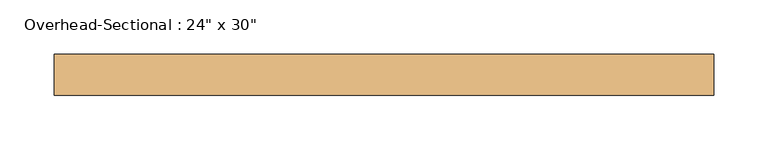
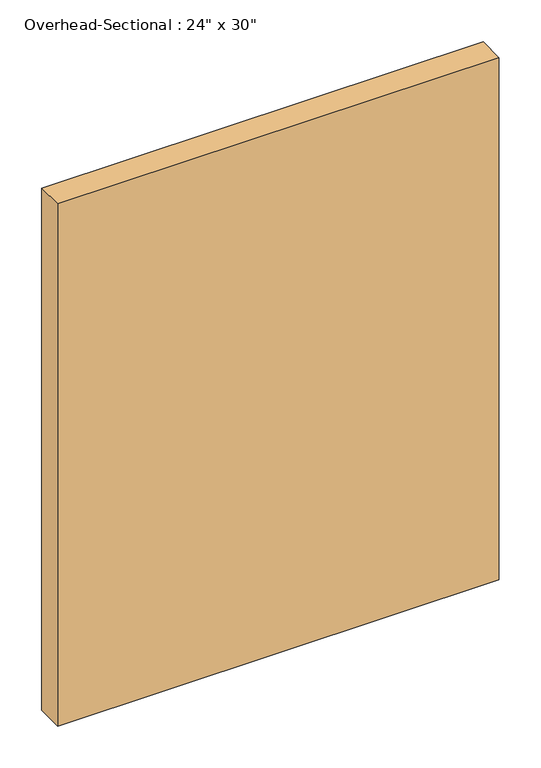
"""IFC4 building model written with IfcOpenShell, lengths in millimetres: door geometry."""

import ifcopenshell
import ifcopenshell.guid

model = None  # the IFC model being written
_history = None  # IfcOwnerHistory: only IFC2X3 demands one
_inside = {}  # id of a spatial element -> (the spatial element, [elements in it])
_under = {}  # id of a project, library or spatial element -> (it, [spatial elements below it])
_declared = {}  # id of a project -> (the project, [libraries it declares])
_typed = {}  # id of a type object -> (the type object, [elements of that type])
_made_of = {}  # id of a material, layer set ... -> (it, [elements and type objects made of it])


def new_model(schema):
    """Start an empty IFC model of exactly this schema.

    Asked for "IFC4X3", IfcOpenShell would pick the latest addendum, in which some entities
    have other attributes; the version numbers below select the first issue.
    IFC2X3 requires an IfcOwnerHistory on every rooted entity: one is made here for all.
    """
    global model, _history
    if schema == "IFC4X3":
        model = ifcopenshell.file(schema_version=(4, 3, 0, 0))
    else:
        model = ifcopenshell.file(schema=schema)
    _inside.clear()
    _under.clear()
    _declared.clear()
    _typed.clear()
    _made_of.clear()
    _history = None
    if model.schema == "IFC2X3":
        org = make("IfcOrganization", Name="unknown")
        user = make(
            "IfcPersonAndOrganization",
            ThePerson=make("IfcPerson", FamilyName="unknown"),
            TheOrganization=org,
        )
        app = make(
            "IfcApplication",
            ApplicationDeveloper=org,
            Version="unknown",
            ApplicationFullName="unknown",
            ApplicationIdentifier="unknown",
        )
        _history = make(
            "IfcOwnerHistory",
            OwningUser=user,
            OwningApplication=app,
            ChangeAction="ADDED",
            CreationDate=0,
        )
    return model


def make(cls, **values):
    """One entity of the class cls with the attributes given. An attribute that is None is left unset."""
    return model.create_entity(
        cls, **{name: value for name, value in values.items() if value is not None}
    )


def rooted(cls, **values):
    """An entity with a GlobalId (a new one), such as an element, a storey or a relation."""
    return make(cls, GlobalId=ifcopenshell.guid.new(), OwnerHistory=_history, **values)


def si_unit(unit_type, name, prefix=None):
    """IfcSIUnit, for example si_unit("LENGTHUNIT", "METRE", prefix="MILLI")."""
    return make("IfcSIUnit", UnitType=unit_type, Prefix=prefix, Name=name)


def assignment(units):
    """IfcUnitAssignment: the units of a project."""
    return None if units is None else make("IfcUnitAssignment", Units=units)


def point(xyz):
    """IfcCartesianPoint."""
    return None if xyz is None else make("IfcCartesianPoint", Coordinates=xyz)


def direction(xyz):
    """IfcDirection."""
    return None if xyz is None else make("IfcDirection", DirectionRatios=xyz)


def frame(location, z_axis=None, x_axis=None):
    """IfcAxis2Placement3D, a coordinate frame: its origin and axes. An axis left out is left unset."""
    return make(
        "IfcAxis2Placement3D",
        Location=point(location),
        Axis=direction(z_axis),
        RefDirection=direction(x_axis),
    )


def origin():
    """The frame at (0, 0, 0) with its axes left unset."""
    return frame((0.0, 0.0, 0.0))


def origin_with_axes():
    """The frame at (0, 0, 0) with the z axis (0, 0, 1) and the x axis (1, 0, 0) written out."""
    return frame((0.0, 0.0, 0.0), z_axis=(0.0, 0.0, 1.0), x_axis=(1.0, 0.0, 0.0))


def place(relative_to, where):
    """IfcLocalPlacement: puts the frame where relative to a parent placement (None: the world)."""
    return make(
        "IfcLocalPlacement", PlacementRelTo=relative_to, RelativePlacement=where
    )


def context(
    kind, dimensions, precision=None, world=None, true_north=None, identifier=None
):
    """IfcGeometricRepresentationContext, for example the 3D "Model" context."""
    return make(
        "IfcGeometricRepresentationContext",
        ContextIdentifier=identifier,
        ContextType=kind,
        CoordinateSpaceDimension=dimensions,
        Precision=precision,
        WorldCoordinateSystem=world,
        TrueNorth=true_north,
    )


def project(units=None, contexts=None):
    """IfcProject with its units and contexts."""
    return rooted(
        "IfcProject",
        Name="project",
        RepresentationContexts=contexts,
        UnitsInContext=assignment(units),
    )


def spatial(cls, under=None, at=None, **own):
    """A site, building, storey or space (cls), placed at a placement, below another one or the project."""
    s = rooted(cls, ObjectPlacement=at, **own)
    if under is not None:
        _under.setdefault(under.id(), (under, []))[1].append(s)
    return s


def polyline(points):
    """IfcPolyline through the points."""
    return make("IfcPolyline", Points=[point(p) for p in points])


def outline(outer, holes=None, kind="AREA"):
    """IfcArbitraryClosedProfileDef: a profile drawn as a closed curve; with holes, ...WithVoids."""
    if holes is None:
        return make("IfcArbitraryClosedProfileDef", ProfileType=kind, OuterCurve=outer)
    return make(
        "IfcArbitraryProfileDefWithVoids",
        ProfileType=kind,
        OuterCurve=outer,
        InnerCurves=holes,
    )


def extrude(swept, where, along, depth):
    """IfcExtrudedAreaSolid: the profile swept, set in the frame where, extruded along a direction by depth."""
    return make(
        "IfcExtrudedAreaSolid",
        SweptArea=swept,
        Position=where,
        ExtrudedDirection=direction(along),
        Depth=depth,
    )


def shape(context_of_items, identifier, shape_type, items):
    """IfcShapeRepresentation: the items that make up one representation, for example the "Body"."""
    return make(
        "IfcShapeRepresentation",
        ContextOfItems=context_of_items,
        RepresentationIdentifier=identifier,
        RepresentationType=shape_type,
        Items=items,
    )


def source(mapping_origin, context_of_items, identifier, shape_type, items):
    """IfcRepresentationMap: a shape defined once, which mapped items show again and again."""
    return make(
        "IfcRepresentationMap",
        MappingOrigin=mapping_origin,
        MappedRepresentation=shape(context_of_items, identifier, shape_type, items),
    )


def transform(
    local_origin,
    x_axis=None,
    y_axis=None,
    z_axis=None,
    scale=None,
    scale2=None,
    scale3=None,
    uniform=True,
):
    """IfcCartesianTransformationOperator3D, or its non-uniform kind. x_axis, y_axis, z_axis: its Axis1, 2, 3."""
    if uniform:
        return make(
            "IfcCartesianTransformationOperator3D",
            Axis1=direction(x_axis),
            Axis2=direction(y_axis),
            LocalOrigin=point(local_origin),
            Scale=scale,
            Axis3=direction(z_axis),
        )
    return make(
        "IfcCartesianTransformationOperator3DnonUniform",
        Axis1=direction(x_axis),
        Axis2=direction(y_axis),
        LocalOrigin=point(local_origin),
        Scale=scale,
        Axis3=direction(z_axis),
        Scale2=scale2,
        Scale3=scale3,
    )


def mapped(mapping_source, mapping_target):
    """IfcMappedItem: shows the shape of a source again, moved by a transform."""
    return make(
        "IfcMappedItem", MappingSource=mapping_source, MappingTarget=mapping_target
    )


def made_of(thing, what):
    """Note that an element or type object is made of a material, layer set ...; save() writes the relation."""
    if what is not None:
        _made_of.setdefault(what.id(), (what, []))[1].append(thing)
    return thing


def element(
    cls,
    number,
    at=None,
    inside=None,
    cuts=None,
    type_object=None,
    material=None,
    context=None,
    identifier="Body",
    shape_type=None,
    held_by="IfcProductDefinitionShape",
    body=None,
    shapes=None,
    **own,
):
    """One element of the class cls, such as IfcWall. Its Tag is "e" and its number.

    at: its placement. inside: the storey or other place that contains it. cuts: it is an
    opening in that element (IfcRelVoidsElement). A single representation is given by context,
    identifier, shape_type and body (its items); several are given by shapes. held_by: the class
    of the entity that holds the representations. save() writes the other relations.
    """
    e = rooted(cls, Tag="e%d" % number, ObjectPlacement=at, **own)
    if body is not None:
        shapes = [shape(context, identifier, shape_type, body)]
    if shapes is not None:
        e.Representation = make(held_by, Representations=shapes)
    if inside is not None:
        _inside.setdefault(inside.id(), (inside, []))[1].append(e)
    if cuts is not None:
        rooted(
            "IfcRelVoidsElement", RelatingBuildingElement=cuts, RelatedOpeningElement=e
        )
    if type_object is not None:
        _typed.setdefault(type_object.id(), (type_object, []))[1].append(e)
    return made_of(e, material)


def aggregate(whole, parts):
    """IfcRelAggregates: a whole, such as a stair, and the parts it consists of."""
    return rooted("IfcRelAggregates", RelatingObject=whole, RelatedObjects=parts)


def save(model, path):
    """Write the relations noted so far, then the file.

    IfcRelAggregates (storeys below a building ...), IfcRelContainedInSpatialStructure (elements
    in a storey), IfcRelDefinesByType, IfcRelAssociatesMaterial and IfcRelDeclares: one each for
    every whole, place, type object, material and project.
    """
    for whole, parts in _under.values():
        aggregate(whole, parts)
    for where, things in _inside.values():
        rooted(
            "IfcRelContainedInSpatialStructure",
            RelatedElements=things,
            RelatingStructure=where,
        )
    for kind, things in _typed.values():
        rooted("IfcRelDefinesByType", RelatedObjects=things, RelatingType=kind)
    for what, things in _made_of.values():
        rooted("IfcRelAssociatesMaterial", RelatedObjects=things, RelatingMaterial=what)
    for by, libraries in _declared.values():
        rooted("IfcRelDeclares", RelatingContext=by, RelatedDefinitions=libraries)
    model.write(path)


def door_3561bc8b(model_context):
    return source(origin(), model_context, "Body", "SweptSolid", [
        extrude(outline(polyline([(304.8, 96.8375), (-304.8, 96.8375), (-304.8, 134.9375), (304.8, 134.9375), (304.8, 96.8375)])), origin_with_axes(), (0.0, 0.0, 1.0), 762.0),
    ])


if __name__ == "__main__":
    model = new_model("IFC4")
    model_context = context("Model", 3, world=origin())
    ifc_project = project(units=[si_unit("LENGTHUNIT", "METRE", prefix="MILLI")], contexts=[model_context])
    site = spatial("IfcSite", under=ifc_project)
    building = spatial("IfcBuilding", under=site)
    placement = place(None, origin())
    door_shape = door_3561bc8b(model_context)
    element("IfcDoor", 1, ObjectType="Overhead-Sectional : 24\" x 30\"", at=placement, inside=building, context=model_context, shape_type="MappedRepresentation", body=[
        mapped(door_shape, transform((0.0, 0.0, 0.0), x_axis=(1.0, 0.0, 0.0), y_axis=(0.0, 1.0, 0.0), z_axis=(0.0, 0.0, 1.0))),
    ])
    save(model, "model.ifc")
